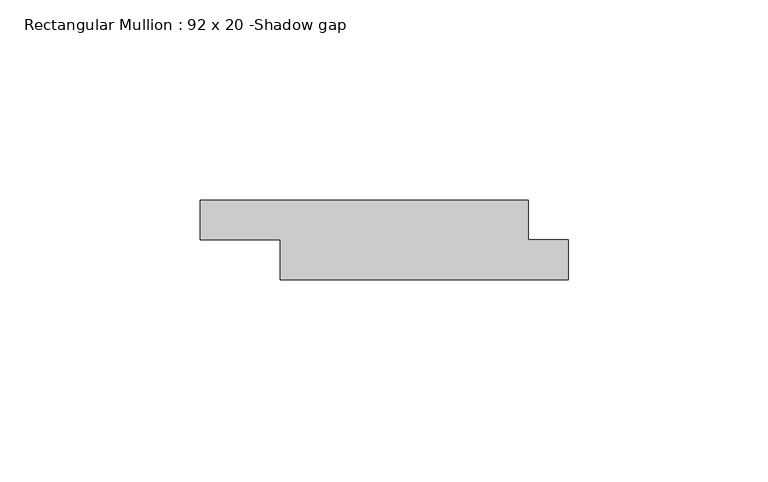
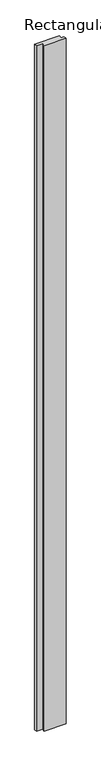
"""IFC4 building model written with IfcOpenShell, lengths in millimetres: member geometry, Rectangular Mullion : 92 x 20 -Shadow gap."""

import ifcopenshell
import ifcopenshell.guid

model = None  # the IFC model being written
_history = None  # IfcOwnerHistory: only IFC2X3 demands one
_inside = {}  # id of a spatial element -> (the spatial element, [elements in it])
_under = {}  # id of a project, library or spatial element -> (it, [spatial elements below it])
_declared = {}  # id of a project -> (the project, [libraries it declares])
_typed = {}  # id of a type object -> (the type object, [elements of that type])
_made_of = {}  # id of a material, layer set ... -> (it, [elements and type objects made of it])


def new_model(schema):
    """Start an empty IFC model of exactly this schema.

    Asked for "IFC4X3", IfcOpenShell would pick the latest addendum, in which some entities
    have other attributes; the version numbers below select the first issue.
    IFC2X3 requires an IfcOwnerHistory on every rooted entity: one is made here for all.
    """
    global model, _history
    if schema == "IFC4X3":
        model = ifcopenshell.file(schema_version=(4, 3, 0, 0))
    else:
        model = ifcopenshell.file(schema=schema)
    _inside.clear()
    _under.clear()
    _declared.clear()
    _typed.clear()
    _made_of.clear()
    _history = None
    if model.schema == "IFC2X3":
        org = make("IfcOrganization", Name="unknown")
        user = make(
            "IfcPersonAndOrganization",
            ThePerson=make("IfcPerson", FamilyName="unknown"),
            TheOrganization=org,
        )
        app = make(
            "IfcApplication",
            ApplicationDeveloper=org,
            Version="unknown",
            ApplicationFullName="unknown",
            ApplicationIdentifier="unknown",
        )
        _history = make(
            "IfcOwnerHistory",
            OwningUser=user,
            OwningApplication=app,
            ChangeAction="ADDED",
            CreationDate=0,
        )
    return model


def make(cls, **values):
    """One entity of the class cls with the attributes given. An attribute that is None is left unset."""
    return model.create_entity(
        cls, **{name: value for name, value in values.items() if value is not None}
    )


def rooted(cls, **values):
    """An entity with a GlobalId (a new one), such as an element, a storey or a relation."""
    return make(cls, GlobalId=ifcopenshell.guid.new(), OwnerHistory=_history, **values)


def si_unit(unit_type, name, prefix=None):
    """IfcSIUnit, for example si_unit("LENGTHUNIT", "METRE", prefix="MILLI")."""
    return make("IfcSIUnit", UnitType=unit_type, Prefix=prefix, Name=name)


def assignment(units):
    """IfcUnitAssignment: the units of a project."""
    return None if units is None else make("IfcUnitAssignment", Units=units)


def point(xyz):
    """IfcCartesianPoint."""
    return None if xyz is None else make("IfcCartesianPoint", Coordinates=xyz)


def direction(xyz):
    """IfcDirection."""
    return None if xyz is None else make("IfcDirection", DirectionRatios=xyz)


def frame(location, z_axis=None, x_axis=None):
    """IfcAxis2Placement3D, a coordinate frame: its origin and axes. An axis left out is left unset."""
    return make(
        "IfcAxis2Placement3D",
        Location=point(location),
        Axis=direction(z_axis),
        RefDirection=direction(x_axis),
    )


def origin():
    """The frame at (0, 0, 0) with its axes left unset."""
    return frame((0.0, 0.0, 0.0))


def place(relative_to, where):
    """IfcLocalPlacement: puts the frame where relative to a parent placement (None: the world)."""
    return make(
        "IfcLocalPlacement", PlacementRelTo=relative_to, RelativePlacement=where
    )


def context(
    kind, dimensions, precision=None, world=None, true_north=None, identifier=None
):
    """IfcGeometricRepresentationContext, for example the 3D "Model" context."""
    return make(
        "IfcGeometricRepresentationContext",
        ContextIdentifier=identifier,
        ContextType=kind,
        CoordinateSpaceDimension=dimensions,
        Precision=precision,
        WorldCoordinateSystem=world,
        TrueNorth=true_north,
    )


def project(units=None, contexts=None):
    """IfcProject with its units and contexts."""
    return rooted(
        "IfcProject",
        Name="project",
        RepresentationContexts=contexts,
        UnitsInContext=assignment(units),
    )


def spatial(cls, under=None, at=None, **own):
    """A site, building, storey or space (cls), placed at a placement, below another one or the project."""
    s = rooted(cls, ObjectPlacement=at, **own)
    if under is not None:
        _under.setdefault(under.id(), (under, []))[1].append(s)
    return s


def polyline(points):
    """IfcPolyline through the points."""
    return make("IfcPolyline", Points=[point(p) for p in points])


def outline(outer, holes=None, kind="AREA"):
    """IfcArbitraryClosedProfileDef: a profile drawn as a closed curve; with holes, ...WithVoids."""
    if holes is None:
        return make("IfcArbitraryClosedProfileDef", ProfileType=kind, OuterCurve=outer)
    return make(
        "IfcArbitraryProfileDefWithVoids",
        ProfileType=kind,
        OuterCurve=outer,
        InnerCurves=holes,
    )


def extrude(swept, where, along, depth):
    """IfcExtrudedAreaSolid: the profile swept, set in the frame where, extruded along a direction by depth."""
    return make(
        "IfcExtrudedAreaSolid",
        SweptArea=swept,
        Position=where,
        ExtrudedDirection=direction(along),
        Depth=depth,
    )


def shape(context_of_items, identifier, shape_type, items):
    """IfcShapeRepresentation: the items that make up one representation, for example the "Body"."""
    return make(
        "IfcShapeRepresentation",
        ContextOfItems=context_of_items,
        RepresentationIdentifier=identifier,
        RepresentationType=shape_type,
        Items=items,
    )


def source(mapping_origin, context_of_items, identifier, shape_type, items):
    """IfcRepresentationMap: a shape defined once, which mapped items show again and again."""
    return make(
        "IfcRepresentationMap",
        MappingOrigin=mapping_origin,
        MappedRepresentation=shape(context_of_items, identifier, shape_type, items),
    )


def transform(
    local_origin,
    x_axis=None,
    y_axis=None,
    z_axis=None,
    scale=None,
    scale2=None,
    scale3=None,
    uniform=True,
):
    """IfcCartesianTransformationOperator3D, or its non-uniform kind. x_axis, y_axis, z_axis: its Axis1, 2, 3."""
    if uniform:
        return make(
            "IfcCartesianTransformationOperator3D",
            Axis1=direction(x_axis),
            Axis2=direction(y_axis),
            LocalOrigin=point(local_origin),
            Scale=scale,
            Axis3=direction(z_axis),
        )
    return make(
        "IfcCartesianTransformationOperator3DnonUniform",
        Axis1=direction(x_axis),
        Axis2=direction(y_axis),
        LocalOrigin=point(local_origin),
        Scale=scale,
        Axis3=direction(z_axis),
        Scale2=scale2,
        Scale3=scale3,
    )


def mapped(mapping_source, mapping_target):
    """IfcMappedItem: shows the shape of a source again, moved by a transform."""
    return make(
        "IfcMappedItem", MappingSource=mapping_source, MappingTarget=mapping_target
    )


def made_of(thing, what):
    """Note that an element or type object is made of a material, layer set ...; save() writes the relation."""
    if what is not None:
        _made_of.setdefault(what.id(), (what, []))[1].append(thing)
    return thing


def element(
    cls,
    number,
    at=None,
    inside=None,
    cuts=None,
    type_object=None,
    material=None,
    context=None,
    identifier="Body",
    shape_type=None,
    held_by="IfcProductDefinitionShape",
    body=None,
    shapes=None,
    **own,
):
    """One element of the class cls, such as IfcWall. Its Tag is "e" and its number.

    at: its placement. inside: the storey or other place that contains it. cuts: it is an
    opening in that element (IfcRelVoidsElement). A single representation is given by context,
    identifier, shape_type and body (its items); several are given by shapes. held_by: the class
    of the entity that holds the representations. save() writes the other relations.
    """
    e = rooted(cls, Tag="e%d" % number, ObjectPlacement=at, **own)
    if body is not None:
        shapes = [shape(context, identifier, shape_type, body)]
    if shapes is not None:
        e.Representation = make(held_by, Representations=shapes)
    if inside is not None:
        _inside.setdefault(inside.id(), (inside, []))[1].append(e)
    if cuts is not None:
        rooted(
            "IfcRelVoidsElement", RelatingBuildingElement=cuts, RelatedOpeningElement=e
        )
    if type_object is not None:
        _typed.setdefault(type_object.id(), (type_object, []))[1].append(e)
    return made_of(e, material)


def aggregate(whole, parts):
    """IfcRelAggregates: a whole, such as a stair, and the parts it consists of."""
    return rooted("IfcRelAggregates", RelatingObject=whole, RelatedObjects=parts)


def save(model, path):
    """Write the relations noted so far, then the file.

    IfcRelAggregates (storeys below a building ...), IfcRelContainedInSpatialStructure (elements
    in a storey), IfcRelDefinesByType, IfcRelAssociatesMaterial and IfcRelDeclares: one each for
    every whole, place, type object, material and project.
    """
    for whole, parts in _under.values():
        aggregate(whole, parts)
    for where, things in _inside.values():
        rooted(
            "IfcRelContainedInSpatialStructure",
            RelatedElements=things,
            RelatingStructure=where,
        )
    for kind, things in _typed.values():
        rooted("IfcRelDefinesByType", RelatedObjects=things, RelatingType=kind)
    for what, things in _made_of.values():
        rooted("IfcRelAssociatesMaterial", RelatedObjects=things, RelatingMaterial=what)
    for by, libraries in _declared.values():
        rooted("IfcRelDeclares", RelatingContext=by, RelatedDefinitions=libraries)
    model.write(path)


def rectangular_mullion_92_x_20_shadow_gap_758de838(model_context):
    return source(origin(), model_context, "Body", "SweptSolid", [
        extrude(outline(polyline([(-92.0, -10.0), (-92.0, 0.0), (-10.0, 0.0), (-10.0, -10.0), (0.0, -10.0), (0.0, -20.0), (-72.0, -20.0), (-72.0, -10.0), (-92.0, -10.0)])), frame((0.0, 0.0, -2400.0), z_axis=(0.0, 0.0, 1.0), x_axis=(1.0, 0.0, 0.0)), (0.0, 0.0, 1.0), 2400.0),
    ])


if __name__ == "__main__":
    model = new_model("IFC4")
    model_context = context("Model", 3, world=origin())
    ifc_project = project(units=[si_unit("LENGTHUNIT", "METRE", prefix="MILLI")], contexts=[model_context])
    site = spatial("IfcSite", under=ifc_project)
    building = spatial("IfcBuilding", under=site)
    placement = place(None, origin())
    rectangular_mullion_92_x_20_shadow_gap_shape = rectangular_mullion_92_x_20_shadow_gap_758de838(model_context)
    element("IfcMember", 1, ObjectType="Rectangular Mullion : 92 x 20 -Shadow gap", at=placement, inside=building, context=model_context, shape_type="MappedRepresentation", body=[
        mapped(rectangular_mullion_92_x_20_shadow_gap_shape, transform((0.0, 0.0, 0.0), x_axis=(1.0, 0.0, 0.0), y_axis=(0.0, 1.0, 0.0), z_axis=(0.0, 0.0, 1.0))),
    ])
    save(model, "model.ifc")
